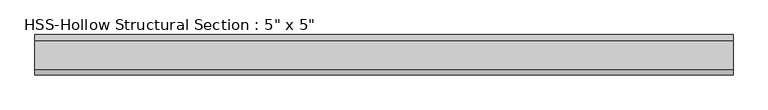
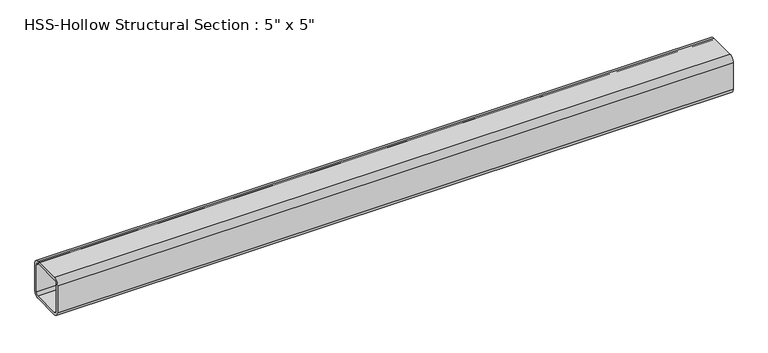
"""IFC4 building model written with IfcOpenShell, lengths in millimetres: beam geometry."""

from ifc_helpers import new_model, si_unit, point, frame, frame_2d, origin, place, context, project, spatial, polyline, circle_curve, trimmed, segment, composite_curve, outline, extrude, source, transform, mapped, element, save


def beam_97fbadf0(model_context):
    return source(origin(), model_context, "Body", "SweptSolid", [
        extrude(outline(composite_curve([segment(polyline([(63.5, 45.8390625), (63.5, -45.8390625)]), True, "CONTINUOUS"), segment(trimmed(circle_curve(frame_2d((45.8390625, -45.8390625)), 17.6609375), [point((63.5, -45.8390625))], [point((45.8390625, -63.5))], False, "CARTESIAN"), True, "CONTINUOUS"), segment(polyline([(45.8390625, -63.5), (-45.8390625, -63.5)]), True, "CONTINUOUS"), segment(trimmed(circle_curve(frame_2d((-45.8390625, -45.8390625)), 17.6609375), [point((-45.8390625, -63.5))], [point((-63.5, -45.8390625))], False, "CARTESIAN"), True, "CONTINUOUS"), segment(polyline([(-63.5, -45.8390625), (-63.5, 45.8390625)]), True, "CONTINUOUS"), segment(trimmed(circle_curve(frame_2d((-45.8390625, 45.8390625)), 17.6609375), [point((-63.5, 45.8390625))], [point((-45.8390625, 63.5))], False, "CARTESIAN"), True, "CONTINUOUS"), segment(polyline([(-45.8390625, 63.5), (45.8390625, 63.5)]), True, "CONTINUOUS"), segment(trimmed(circle_curve(frame_2d((45.8390625, 45.8390625)), 17.6609375), [point((45.8390625, 63.5))], [point((63.5, 45.8390625))], False, "CARTESIAN"), True, "CONTINUOUS")], self_intersect=False), holes=[composite_curve([segment(trimmed(circle_curve(frame_2d((-45.8390625, 45.8390625)), 8.8304687), [point((-45.8390625, 54.6695312))], [point((-54.6695313, 45.8390625))], True, "CARTESIAN"), True, "CONTINUOUS"), segment(polyline([(-54.6695313, 45.8390625), (-54.6695313, -45.8390625)]), True, "CONTINUOUS"), segment(trimmed(circle_curve(frame_2d((-45.8390625, -45.8390625)), 8.8304687), [point((-54.6695313, -45.8390625))], [point((-45.8390625, -54.6695313))], True, "CARTESIAN"), True, "CONTINUOUS"), segment(polyline([(-45.8390625, -54.6695313), (45.8390625, -54.6695313)]), True, "CONTINUOUS"), segment(trimmed(circle_curve(frame_2d((45.8390625, -45.8390625)), 8.8304687), [point((45.8390625, -54.6695313))], [point((54.6695312, -45.8390625))], True, "CARTESIAN"), True, "CONTINUOUS"), segment(polyline([(54.6695312, -45.8390625), (54.6695312, 45.8390625)]), True, "CONTINUOUS"), segment(trimmed(circle_curve(frame_2d((45.8390625, 45.8390625)), 8.8304687), [point((54.6695312, 45.8390625))], [point((45.8390625, 54.6695312))], True, "CARTESIAN"), True, "CONTINUOUS"), segment(polyline([(45.8390625, 54.6695312), (-45.8390625, 54.6695312)]), True, "CONTINUOUS")], self_intersect=False)]), frame((-1093.6233433, 0.0, 0.0), z_axis=(1.0, 0.0, 0.0), x_axis=(0.0, 1.0, 0.0)), (0.0, 0.0, 1.0), 2187.2466866),
    ])


if __name__ == "__main__":
    model = new_model("IFC4")
    model_context = context("Model", 3, world=origin())
    ifc_project = project(units=[si_unit("LENGTHUNIT", "METRE", prefix="MILLI")], contexts=[model_context])
    site = spatial("IfcSite", under=ifc_project)
    building = spatial("IfcBuilding", under=site)
    placement = place(None, origin())
    beam_shape = beam_97fbadf0(model_context)
    element("IfcBeam", 1, ObjectType="HSS-Hollow Structural Section : 5\" x 5\"", at=placement, inside=building, context=model_context, shape_type="MappedRepresentation", body=[
        mapped(beam_shape, transform((0.0, 0.0, 0.0), x_axis=(1.0, 0.0, 0.0), y_axis=(0.0, 1.0, 0.0), z_axis=(0.0, 0.0, 1.0))),
    ])
    save(model, "model.ifc")
